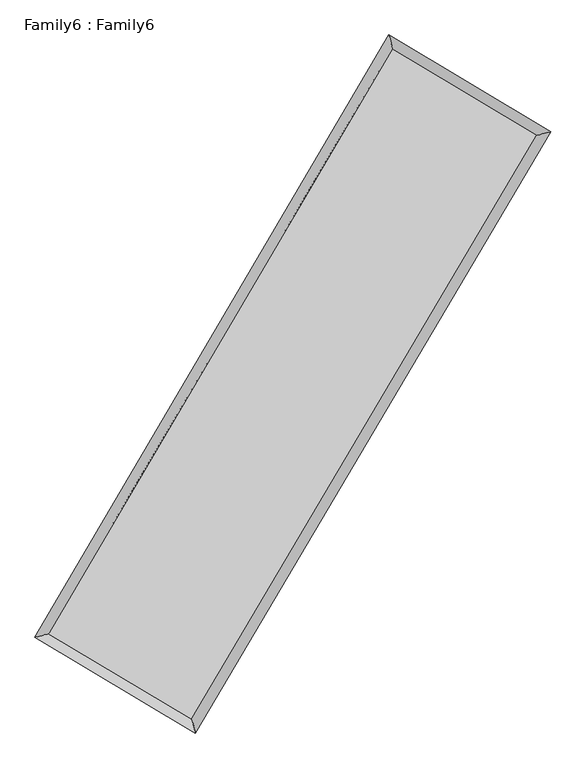
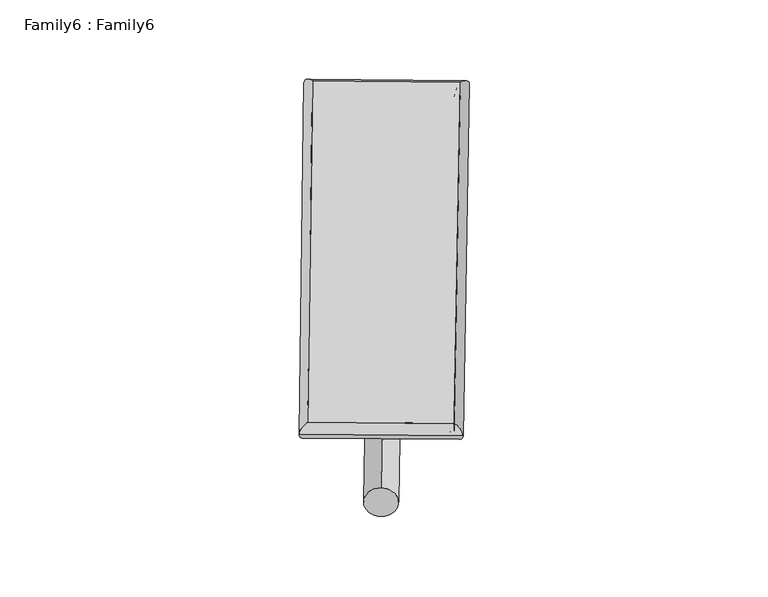
"""IFC4 building model written with IfcOpenShell, lengths in millimetres: plate geometry, Family6 : Family6."""

from ifc_helpers import new_model, si_unit, point, frame, origin, origin_2d, place, context, project, spatial, circle_curve, ellipse_curve, trimmed, segment, composite_curve, outline, extrude, source, transform, mapped, element, save
from ifc_brep_helpers import plane_surface, cylinder_surface, spline_surface, advanced_brep


def family6_family6_2f021ff3(model_context):
    return source(origin(), model_context, "Body", "SolidModel", [
        extrude(outline(composite_curve([segment(trimmed(circle_curve(origin_2d(), 76.2), [point((-75.4341514, -10.7763074))], [point((75.4341514, 10.7763074))], False, "CARTESIAN"), True, "CONTINUOUS"), segment(trimmed(circle_curve(origin_2d(), 76.2), [point((75.4341514, 10.7763074))], [point((-75.4341514, -10.7763074))], False, "CARTESIAN"), True, "CONTINUOUS")], self_intersect=False)), frame((9144.0, 9144.0, 0.0), z_axis=(0.6741861291811285, 0.6859854366394719, 0.27367324300764184), x_axis=(-0.6781483092580712, 0.7217506539752664, -0.13853109447591475)), (0.0, 0.0, 1.0), 5566.1689032),
        extrude(outline(composite_curve([segment(trimmed(circle_curve(origin_2d(), 76.2), [point((-53.8815367, 53.8815368))], [point((53.8815367, -53.8815368))], False, "CARTESIAN"), True, "CONTINUOUS"), segment(trimmed(circle_curve(origin_2d(), 76.2), [point((53.8815367, -53.8815368))], [point((-53.8815367, 53.8815368))], False, "CARTESIAN"), True, "CONTINUOUS")], self_intersect=False)), frame((9144.0, 9144.0, 0.0), z_axis=(-0.6725214853053114, -0.6875899365903626, 0.2737424535989975), x_axis=(0.6420972864270035, -0.35817916651853676, 0.6778043666391986)), (0.0, 0.0, 1.0), 5564.5285353),
        extrude(outline(composite_curve([segment(trimmed(circle_curve(origin_2d(), 76.2), [point((-53.8815367, -53.8815367))], [point((53.8815367, 53.8815367))], False, "CARTESIAN"), True, "CONTINUOUS"), segment(trimmed(circle_curve(origin_2d(), 76.2), [point((53.8815367, 53.8815367))], [point((-53.8815367, -53.8815367))], False, "CARTESIAN"), True, "CONTINUOUS")], self_intersect=False)), frame((9144.0, 9144.0, 0.0), z_axis=(0.2745176363144906, 0.9221236629365357, 0.2726316518763213), x_axis=(-0.8397763606438898, 0.3680199442830414, -0.3991703705357033)), (0.0, 0.0, 1.0), 5581.7042651),
        extrude(outline(composite_curve([segment(trimmed(circle_curve(origin_2d(), 76.2), [point((-75.4341514, 10.7763074))], [point((75.4341514, -10.7763074))], False, "CARTESIAN"), True, "CONTINUOUS"), segment(trimmed(circle_curve(origin_2d(), 76.2), [point((75.4341514, -10.7763074))], [point((-75.4341514, 10.7763074))], False, "CARTESIAN"), True, "CONTINUOUS")], self_intersect=False)), frame((9144.0, 9144.0, 0.0), z_axis=(-0.2765788959329006, -0.92144631845233, 0.27283840736814413), x_axis=(0.8779480060772863, -0.1268285681797063, 0.461651180999684)), (0.0, 0.0, 1.0), 5577.0280087),
        advanced_brep(
        [(5193.6351906, 5264.6028195, 1523.125134), (5193.6351144, 5264.6026991, 1523.4087253), (5609.8348183, 5371.1695351, 1523.3702547), (10729.8219228, 14081.3749013, 1521.9157216), (10622.7306001, 14500.6682634, 1521.5827865), (5609.8348945, 5371.1696554, 1523.0866635), (12688.3037055, 12909.3763708, 1523.2937069), (13104.9640289, 13015.2452401, 1523.3292828), (7548.1990354, 4214.3615656, 1521.6589534), (7654.8244661, 3795.7745814, 1521.5959261)],
        [
            (0, 1, ellipse_curve(frame((5401.7350044, 5317.8861773, 1523.2476944), z_axis=(-0.24804542476843996, 0.9687483412702341, 0.00034429291938380916), x_axis=(-0.9687482046592465, -0.24804558556629994, 0.0005508634657504173)), 214.8132236, 152.4)),
            (1, 2, ellipse_curve(frame((5401.7350044, 5317.8861773, 1523.2476944), z_axis=(-0.24804542476843996, 0.9687483412702341, 0.00034429291938380916), x_axis=(-0.9687482046592465, -0.24804558556629994, 0.0005508634657504173)), 214.8132236, 152.4)),
            (2, 3),
            (3, 4, ellipse_curve(frame((10676.2762615, 14291.0215823, 1521.7492541), z_axis=(-0.9688967130703986, -0.2474652558698704, -0.0003264025695307077), x_axis=(0.24746506818001612, -0.968896672855045, 0.0005266508175309821)), 216.376753, 152.4)),
            (4, 0),
            (2, 5, ellipse_curve(frame((5401.7350044, 5317.8861773, 1523.2476944), z_axis=(-0.24804542476843996, 0.9687483412702341, 0.00034429291938380916), x_axis=(-0.9687482046592465, -0.24804558556629994, 0.0005508634657504173)), 214.8132236, 152.4)),
            (5, 0, ellipse_curve(frame((5401.7350044, 5317.8861773, 1523.2476944), z_axis=(-0.24804542476843996, 0.9687483412702341, 0.00034429291938380916), x_axis=(-0.9687482046592465, -0.24804558556629994, 0.0005508634657504173)), 214.8132236, 152.4)),
            (4, 3, ellipse_curve(frame((10676.2762615, 14291.0215823, 1521.7492541), z_axis=(-0.9688967130703986, -0.2474652558698704, -0.0003264025695307077), x_axis=(0.24746506818001612, -0.968896672855045, 0.0005266508175309821)), 216.376753, 152.4)),
            (3, 6),
            (6, 7, ellipse_curve(frame((12896.6338672, 12962.3108054, 1523.3114949), z_axis=(-0.2462638849166416, 0.9692027661263791, -0.00031163879439061285), x_axis=(-0.9692026287434651, -0.24626402454732743, -0.0005428171978892174)), 214.9500422, 152.4)),
            (7, 4),
            (7, 6, ellipse_curve(frame((12896.6338672, 12962.3108054, 1523.3114949), z_axis=(-0.2462638849166416, 0.9692027661263791, -0.00031163879439061285), x_axis=(-0.9692026287434651, -0.24626402454732743, -0.0005428171978892174)), 214.9500422, 152.4)),
            (6, 8),
            (8, 9, ellipse_curve(frame((7601.5117508, 4005.0680735, 1521.6274397), z_axis=(0.9690550241159986, 0.24684458475429544, -0.0003334861630071172), x_axis=(-0.24684437856794017, 0.9690549719190771, 0.0005605072024978369)), 215.9768982, 152.4)),
            (9, 7),
            (9, 8, ellipse_curve(frame((7601.5117508, 4005.0680735, 1521.6274397), z_axis=(0.9690550241159986, 0.24684458475429544, -0.0003334861630071172), x_axis=(-0.24684437856794017, 0.9690549719190771, 0.0005605072024978369)), 215.9768982, 152.4)),
            (8, 5),
            (1, 9),
        ],
        [
            cylinder_surface(frame((5401.7350044, 5317.8861773, 1523.2476944), z_axis=(-0.5067507423023526, -0.8620926078159098, 0.00014396242125469083), x_axis=(-0.8620922991134751, 0.506750402666169, -0.0009472100707265317)), 152.4),
            cylinder_surface(frame((10676.2762615, 14291.0215823, 1521.7492541), z_axis=(-0.8580895837806751, 0.5134996608491124, -0.0006037507386501496), x_axis=(0.5134999449860969, 0.8580894897603536, -0.00048379964003391636)), 152.4),
            cylinder_surface(frame((12896.6338672, 12962.3108054, 1523.3114949), z_axis=(0.5088864323921067, 0.8608336498611099, 0.00016184571009522124), x_axis=(0.8608336639376147, -0.5088864323921067, -4.4260316345026556e-05)), 152.4),
            cylinder_surface(frame((7601.5117508, 4005.0680735, 1521.6274397), z_axis=(0.8587041472783099, -0.512471255207016, -0.0006324820760693925), x_axis=(-0.5124710780571319, -0.8587043790954301, 0.00042834249531170985)), 152.4),
        ],
        [
            (0, [[1, 2, 3, 4, 5]]),
            (0, [[6, 7, -5, 8, -3]]),
            (1, [[-4, 9, 10, 11]]),
            (1, [[-8, -11, 12, -9]]),
            (2, [[-10, 13, 14, 15]]),
            (2, [[-12, -15, 16, -13]]),
            (3, [[-14, 17, -6, -2, 18]]),
            (3, [[-16, -18, -1, -7, -17]]),
        ],
    ),
        extrude(outline(composite_curve([segment(trimmed(circle_curve(origin_2d(), 304.8), [point((0.0, 304.8))], [point((1e-07, -304.8))], False, "CARTESIAN"), True, "CONTINUOUS"), segment(trimmed(circle_curve(origin_2d(), 304.8), [point((1e-07, -304.8))], [point((0.0, 304.8))], False, "CARTESIAN"), True, "CONTINUOUS")], self_intersect=False)), frame((11798.1801246, 13644.4534895, -9.8e-06), z_axis=(-0.5079944672594385, -0.8613603318204288, 1.8838230180574338e-09), x_axis=(-0.8613603318204288, 0.5079944672594385, -5.14124887110507e-10)), (0.0, 0.0, 1.0), 10449.6418589),
        advanced_brep(
        [(5401.7350044, 5317.8861773, 1523.2476944), (7601.5117508, 4005.0680735, 1521.6274397), (7601.5121279, 4005.0662775, 1674.0274397), (5401.7353816, 5317.8843813, 1675.6476944), (12896.6338672, 12962.3108054, 1523.3114949), (12896.6342443, 12962.3090095, 1675.7114948), (10676.2762615, 14291.0215823, 1521.7492541), (10676.2766386, 14291.0197864, 1674.1492541)],
        [
            (0, 1),
            (1, 2),
            (2, 3),
            (3, 0),
            (1, 4),
            (4, 5),
            (5, 2),
            (4, 6),
            (6, 7),
            (7, 5),
            (6, 0),
            (3, 7),
        ],
        [
            plane_surface(frame((6501.6233776, 4661.4771254, 1522.4375671), z_axis=(-0.512471362497026, -0.8587043161310528, -8.851158582447183e-06), x_axis=(0.8587041472783097, -0.5124712552070161, -0.0006324820760693929))),
            plane_surface(frame((10249.072809, 8483.6894395, 1522.4694673), z_axis=(0.8608336617763904, -0.5088864379079104, -8.12709350666263e-06), x_axis=(0.5088864323921068, 0.8608336498611099, 0.000161845710095221))),
            plane_surface(frame((11786.4550643, 13626.6661939, 1522.5303745), z_axis=(0.5134997498377502, 0.8580897428814762, 8.841371414184827e-06), x_axis=(-0.8580895837806749, 0.5134996608491126, -0.0006037507386501498))),
            plane_surface(frame((8039.0056329, 9804.4538798, 1522.4984742), z_axis=(-0.8620926161298178, 0.5067507485428661, 8.105041085403022e-06), x_axis=(-0.5067507423023527, -0.8620926078159098, 0.0001439624212546905))),
            spline_surface(1, 1, [[(7601.5121279, 4005.0662775, 1674.0274397), (5401.7353816, 5317.8843813, 1675.6476944)], [(12896.6342443, 12962.3090095, 1675.7114948), (10676.2766386, 14291.0197864, 1674.1492541)]], [2, 2], [2, 2], [0.0, 1.0], [0.0, 1.0]),
            spline_surface(1, 1, [[(10676.2762615, 14291.0215823, 1521.7492541), (5401.7350044, 5317.8861773, 1523.2476944)], [(12896.6338672, 12962.3108054, 1523.3114949), (7601.5117508, 4005.0680735, 1521.6274397)]], [2, 2], [2, 2], [0.0, 1.0], [0.0, 1.0]),
        ],
        [
            (0, [[1, 2, 3, 4]]),
            (1, [[5, 6, 7, -2]]),
            (2, [[8, 9, 10, -6]]),
            (3, [[11, -4, 12, -9]]),
            (4, [[-3, -7, -10, -12]]),
            (5, [[-11, -8, -5, -1]]),
        ],
    ),
    ])


if __name__ == "__main__":
    model = new_model("IFC4")
    model_context = context("Model", 3, world=origin())
    ifc_project = project(units=[si_unit("LENGTHUNIT", "METRE", prefix="MILLI")], contexts=[model_context])
    site = spatial("IfcSite", under=ifc_project)
    building = spatial("IfcBuilding", under=site)
    placement = place(None, origin())
    family6_family6_shape = family6_family6_2f021ff3(model_context)
    element("IfcPlate", 1, ObjectType="Family6 : Family6", at=placement, inside=building, context=model_context, shape_type="MappedRepresentation", body=[
        mapped(family6_family6_shape, transform((0.0, 0.0, 0.0), x_axis=(1.0, 0.0, 0.0), y_axis=(0.0, 1.0, 0.0), z_axis=(0.0, 0.0, 1.0))),
    ])
    save(model, "model.ifc")
